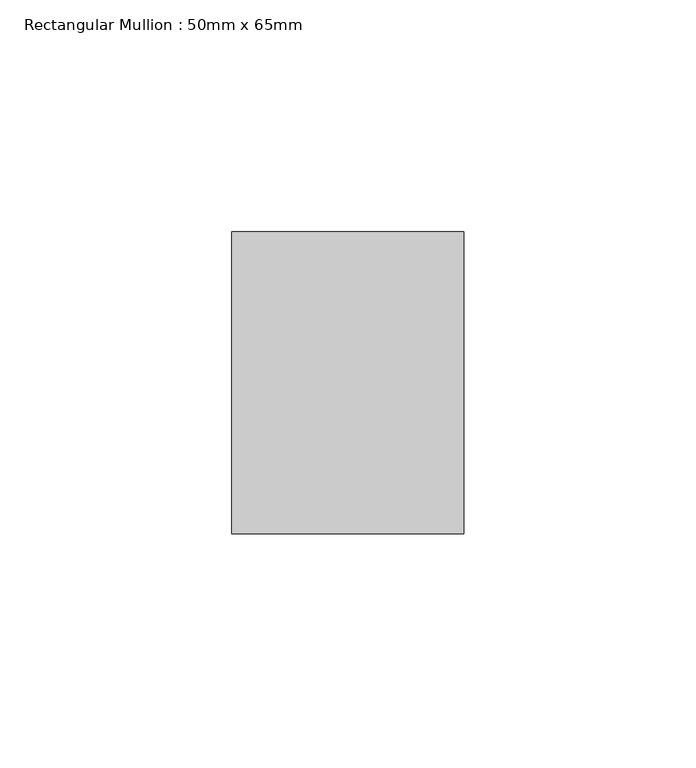
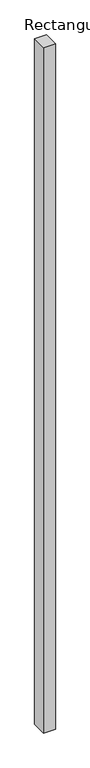
"""IFC4 building model written with IfcOpenShell, lengths in millimetres: member geometry, Rectangular Mullion : 50mm x 65mm."""

from ifc_helpers import new_model, si_unit, frame, origin, place, context, project, spatial, polyline, outline, extrude, source, transform, mapped, element, save


def rectangular_mullion_50mm_x_65mm_21a79069(model_context):
    return source(origin(), model_context, "Body", "SweptSolid", [
        extrude(outline(polyline([(25.0, 32.5), (25.0, -32.5), (-25.0, -32.5), (-25.0, 32.5), (25.0, 32.5)])), frame((0.0, 0.0, -3078.7111498), z_axis=(0.0, 0.0, 1.0), x_axis=(1.0, 0.0, 0.0)), (0.0, 0.0, 1.0), 3078.7111498),
    ])


if __name__ == "__main__":
    model = new_model("IFC4")
    model_context = context("Model", 3, world=origin())
    ifc_project = project(units=[si_unit("LENGTHUNIT", "METRE", prefix="MILLI")], contexts=[model_context])
    site = spatial("IfcSite", under=ifc_project)
    building = spatial("IfcBuilding", under=site)
    placement = place(None, origin())
    rectangular_mullion_50mm_x_65mm_shape = rectangular_mullion_50mm_x_65mm_21a79069(model_context)
    element("IfcMember", 1, ObjectType="Rectangular Mullion : 50mm x 65mm", at=placement, inside=building, context=model_context, shape_type="MappedRepresentation", body=[
        mapped(rectangular_mullion_50mm_x_65mm_shape, transform((0.0, 0.0, 0.0), x_axis=(1.0, 0.0, 0.0), y_axis=(0.0, 1.0, 0.0), z_axis=(0.0, 0.0, 1.0))),
    ])
    save(model, "model.ifc")
